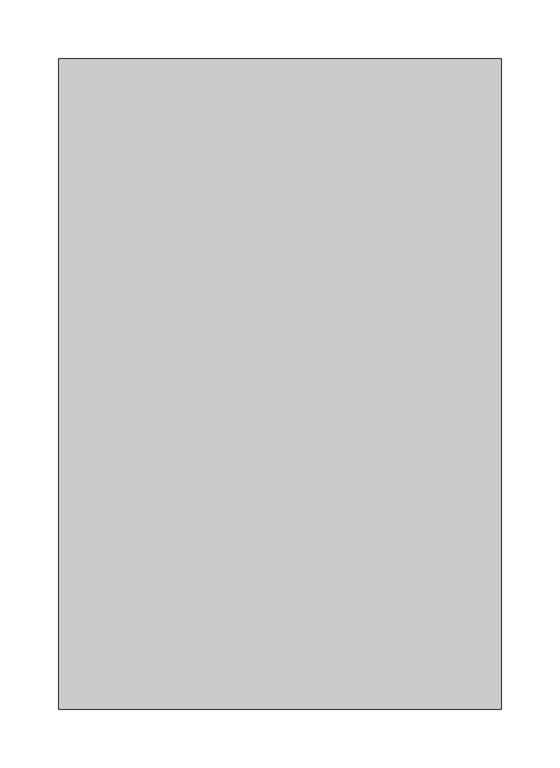
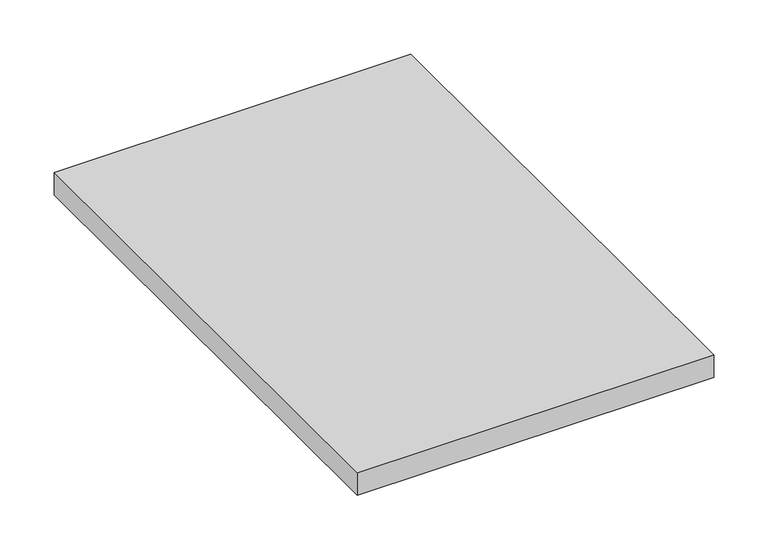
"""IFC4 building model written with IfcOpenShell, lengths in millimetres: furniture geometry."""

from ifc_helpers import new_model, si_unit, frame, origin, place, context, project, spatial, polyline, outline, extrude, source, transform, mapped, element, save


def furniture_e182dee2(model_context):
    return source(origin(), model_context, "Body", "SweptSolid", [
        extrude(outline(polyline([(377.825, 555.625), (377.825, 0.0), (0.0, 0.0), (0.0, 555.625), (377.825, 555.625)])), frame((0.0, 0.0, 533.4), z_axis=(0.0, 0.0, 1.0), x_axis=(1.0, 0.0, 0.0)), (0.0, 0.0, 1.0), 25.4),
    ])


if __name__ == "__main__":
    model = new_model("IFC4")
    model_context = context("Model", 3, world=origin())
    ifc_project = project(units=[si_unit("LENGTHUNIT", "METRE", prefix="MILLI")], contexts=[model_context])
    site = spatial("IfcSite", under=ifc_project)
    building = spatial("IfcBuilding", under=site)
    placement = place(None, origin())
    furniture_shape = furniture_e182dee2(model_context)
    element("IfcFurniture", 1, at=placement, inside=building, context=model_context, shape_type="MappedRepresentation", body=[
        mapped(furniture_shape, transform((0.0, 0.0, 0.0), x_axis=(1.0, 0.0, 0.0), y_axis=(0.0, 1.0, 0.0), z_axis=(0.0, 0.0, 1.0))),
    ])
    save(model, "model.ifc")
